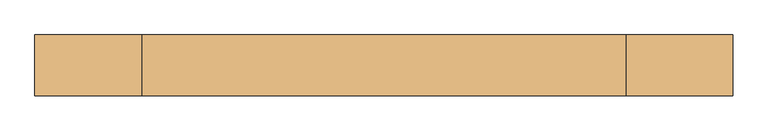
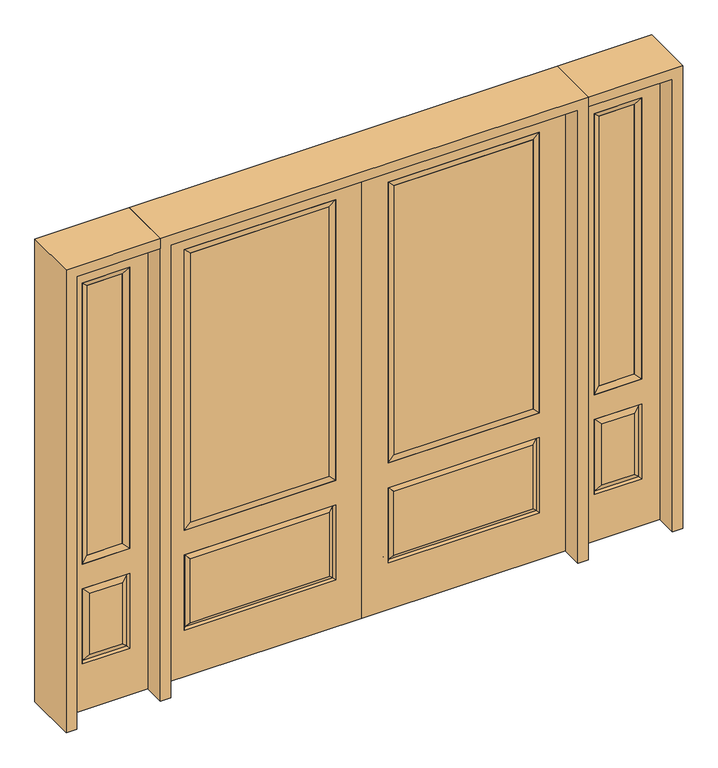
"""IFC4 building model written with IfcOpenShell, lengths in millimetres: door geometry."""

from ifc_helpers import new_model, si_unit, frame, origin, place, context, project, spatial, polyline, outline, extrude, faceted_brep, source, transform, mapped, element, save


def door_9efe27f4(model_context):
    return source(origin(), model_context, "Body", "SolidModel", [
        faceted_brep([(745.3661499, -12.7912373, 216.6588501), (727.86875, -22.225, 234.15625), (135.73125, -22.225, 234.15625), (118.2338501, -12.7912373, 216.6588501), (111.125, -22.225, 209.55), (752.475, -22.225, 209.55), (752.475, -22.225, 546.1), (745.3661499, -12.7912373, 538.9911499), (0.0, -22.225, 2032.0), (0.0, -22.225, 0.0), (863.6, -22.225, 0.0), (863.6, -22.225, 2032.0), (111.125, -22.225, 546.1), (111.125, -22.225, 1917.7), (752.475, -22.225, 1917.7), (752.475, -22.225, 657.098), (111.125, -22.225, 657.098), (727.86875, -22.225, 521.49375), (135.73125, -22.225, 521.49375), (118.2338501, -12.7912373, 538.9911499), (863.6, 22.225, 0.0), (863.6, 22.225, 2032.0), (0.0, 22.225, 0.0), (0.0, 22.225, 2032.0), (111.125, 22.225, 657.098), (111.125, 22.225, 1917.7), (752.475, 22.225, 657.098), (752.475, 22.225, 1917.7), (135.73125, 22.225, 234.15625), (135.73125, 22.225, 521.49375), (727.86875, 22.225, 521.49375), (727.86875, 22.225, 234.15625), (752.475, 22.225, 209.55), (752.475, 22.225, 546.1), (111.125, 22.225, 546.1), (111.125, 22.225, 209.55), (118.2338501, 12.7912373, 216.6588501), (745.3661499, 12.7912373, 216.6588501), (118.2338501, 12.7912373, 538.9911499), (745.3661499, 12.7912373, 538.9911499)], [[[0, 1, 2, 3]], [[3, 4, 5, 0]], [[5, 6, 7, 0]], [[8, 9, 10, 11], [4, 12, 6, 5], [13, 14, 15, 16]], [[1, 17, 18, 2]], [[3, 19, 12, 4]], [[2, 18, 19, 3]], [[0, 7, 17, 1]], [[6, 12, 19, 7]], [[7, 19, 18, 17]], [[10, 20, 21, 11]], [[9, 22, 20, 10]], [[8, 23, 22, 9]], [[16, 24, 25, 13]], [[15, 26, 24, 16]], [[14, 27, 26, 15]], [[28, 29, 30, 31]], [[23, 21, 20, 22], [25, 24, 26, 27], [32, 33, 34, 35]], [[32, 35, 36, 37]], [[35, 34, 38, 36]], [[39, 38, 34, 33]], [[37, 39, 33, 32]], [[36, 28, 31, 37]], [[31, 30, 39, 37]], [[30, 29, 38, 39]], [[36, 38, 29, 28]], [[11, 21, 23, 8]], [[13, 25, 27, 14]]]),
        faceted_brep([(752.475, -22.225, 1917.7), (752.475, -22.225, 657.098), (752.475, 22.225, 657.098), (752.475, 22.225, 1917.7), (111.125, -22.225, 657.098), (111.125, 22.225, 657.098), (136.525, 5.08, 682.498), (727.075, 5.08, 682.498), (111.125, -22.225, 1917.7), (111.125, 22.225, 1917.7), (727.075, -20.32, 682.498), (136.525, -20.32, 682.498), (727.075, -20.32, 1892.3), (136.525, -20.32, 1892.3), (727.075, 5.08, 1892.3), (136.525, 5.08, 1892.3)], [[[0, 1, 2, 3]], [[1, 4, 5, 2]], [[2, 5, 6, 7]], [[4, 8, 9, 5]], [[10, 11, 4, 1]], [[12, 10, 1, 0]], [[11, 13, 8, 4]], [[7, 6, 11, 10]], [[14, 7, 10, 12]], [[6, 15, 13, 11]], [[3, 2, 7, 14]], [[5, 9, 15, 6]], [[8, 0, 3, 9]], [[13, 12, 0, 8]], [[15, 14, 12, 13]], [[9, 3, 14, 15]]]),
        extrude(outline(polyline([(136.525, -20.32), (136.525, 5.08), (727.075, 5.08), (727.075, -20.32), (136.525, -20.32)])), frame((0.0, 0.0, 682.498), z_axis=(0.0, 0.0, 1.0), x_axis=(1.0, 0.0, 0.0)), (0.0, 0.0, 1.0), 1209.802),
        faceted_brep([(908.05, -22.225, 0.0), (1263.65, -22.225, 0.0), (1263.65, -22.225, 2032.0), (908.05, -22.225, 2032.0), (1186.18, -22.225, 1919.224), (1186.18, -22.225, 657.098), (985.52, -22.225, 657.098), (985.52, -22.225, 1919.224), (1186.18, -22.225, 209.55), (985.52, -22.225, 209.55), (985.52, -22.225, 546.1), (1186.18, -22.225, 546.1), (1017.2351001, -22.225, 241.2651001), (1154.4648999, -22.225, 241.2651001), (1154.4648999, -22.225, 514.3848999), (1017.2351001, -22.225, 514.3848999), (908.05, 22.225, 0.0), (908.05, 22.225, 2032.0), (1263.65, 22.225, 2032.0), (1263.65, 22.225, 0.0), (1186.18, 22.225, 1919.224), (985.52, 22.225, 1919.224), (985.52, 22.225, 657.098), (1186.18, 22.225, 657.098), (985.52, 22.225, 209.55), (1186.18, 22.225, 209.55), (1186.18, 22.225, 546.1), (985.52, 22.225, 546.1), (1154.4648999, 22.225, 241.2651001), (1017.2351001, 22.225, 241.2651001), (1017.2351001, 22.225, 514.3848999), (1154.4648999, 22.225, 514.3848999), (1179.0711499, 12.7912373, 216.6588501), (992.6288501, 12.7912373, 216.6588501), (992.6288501, 12.7912373, 538.9911499), (1179.0711499, 12.7912373, 538.9911499), (992.6288501, -12.7912373, 216.6588501), (1179.0711499, -12.7912373, 216.6588501), (992.6288501, -12.7912373, 538.9911499), (1179.0711499, -12.7912373, 538.9911499)], [[[0, 1, 2, 3], [4, 5, 6, 7], [8, 9, 10, 11]], [[12, 13, 14, 15]], [[16, 17, 18, 19], [20, 21, 22, 23], [24, 25, 26, 27]], [[28, 29, 30, 31]], [[1, 0, 16, 19]], [[2, 1, 19, 18]], [[3, 2, 18, 17]], [[0, 3, 17, 16]], [[5, 4, 20, 23]], [[6, 5, 23, 22]], [[7, 6, 22, 21]], [[4, 7, 21, 20]], [[32, 33, 29, 28]], [[33, 32, 25, 24]], [[29, 33, 34, 30]], [[33, 24, 27, 34]], [[30, 34, 35, 31]], [[34, 27, 26, 35]], [[32, 28, 31, 35]], [[25, 32, 35, 26]], [[12, 36, 37, 13]], [[37, 36, 9, 8]], [[36, 12, 15, 38]], [[9, 36, 38, 10]], [[38, 15, 14, 39]], [[10, 38, 39, 11]], [[13, 37, 39, 14]], [[37, 8, 11, 39]]]),
        faceted_brep([(985.52, 22.225, 1919.224), (985.52, -22.225, 1919.224), (1186.18, -22.225, 1919.224), (1186.18, 22.225, 1919.224), (1010.92, 12.7, 1893.824), (1160.78, 12.7, 1893.824), (1010.92, -12.7, 1893.824), (1160.78, -12.7, 1893.824), (1186.18, -22.225, 657.098), (1186.18, 22.225, 657.098), (1160.78, 12.7, 682.498), (1160.78, -12.7, 682.498), (985.52, -22.225, 657.098), (985.52, 22.225, 657.098), (1010.92, 12.7, 682.498), (1010.92, -12.7, 682.498)], [[[0, 1, 2, 3]], [[4, 0, 3, 5]], [[6, 4, 5, 7]], [[1, 6, 7, 2]], [[3, 2, 8, 9]], [[5, 3, 9, 10]], [[7, 5, 10, 11]], [[2, 7, 11, 8]], [[9, 8, 12, 13]], [[10, 9, 13, 14]], [[11, 10, 14, 15]], [[8, 11, 15, 12]], [[13, 12, 1, 0]], [[14, 13, 0, 4]], [[15, 14, 4, 6]], [[12, 15, 6, 1]]]),
        extrude(outline(polyline([(1160.78, -12.7), (1010.92, -12.7), (1010.92, 12.7), (1160.78, 12.7), (1160.78, -12.7)])), frame((0.0, 0.0, 682.498), z_axis=(0.0, 0.0, 1.0), x_axis=(1.0, 0.0, 0.0)), (0.0, 0.0, 1.0), 1211.326),
        faceted_brep([(-1263.65, -22.225, 0.0), (-908.05, -22.225, 0.0), (-908.05, -22.225, 2032.0), (-1263.65, -22.225, 2032.0), (-985.52, -22.225, 1919.224), (-985.52, -22.225, 657.098), (-1186.18, -22.225, 657.098), (-1186.18, -22.225, 1919.224), (-985.52, -22.225, 209.55), (-1186.18, -22.225, 209.55), (-1186.18, -22.225, 546.1), (-985.52, -22.225, 546.1), (-1154.4648999, -22.225, 241.2651001), (-1017.2351001, -22.225, 241.2651001), (-1017.2351001, -22.225, 514.3848999), (-1154.4648999, -22.225, 514.3848999), (-1263.65, 22.225, 0.0), (-1263.65, 22.225, 2032.0), (-908.05, 22.225, 2032.0), (-908.05, 22.225, 0.0), (-985.52, 22.225, 1919.224), (-1186.18, 22.225, 1919.224), (-1186.18, 22.225, 657.098), (-985.52, 22.225, 657.098), (-1186.18, 22.225, 209.55), (-985.52, 22.225, 209.55), (-985.52, 22.225, 546.1), (-1186.18, 22.225, 546.1), (-1017.2351001, 22.225, 241.2651001), (-1154.4648999, 22.225, 241.2651001), (-1154.4648999, 22.225, 514.3848999), (-1017.2351001, 22.225, 514.3848999), (-992.6288501, 12.7912373, 216.6588501), (-1179.0711499, 12.7912373, 216.6588501), (-1179.0711499, 12.7912373, 538.9911499), (-992.6288501, 12.7912373, 538.9911499), (-1179.0711499, -12.7912373, 216.6588501), (-992.6288501, -12.7912373, 216.6588501), (-1179.0711499, -12.7912373, 538.9911499), (-992.6288501, -12.7912373, 538.9911499)], [[[0, 1, 2, 3], [4, 5, 6, 7], [8, 9, 10, 11]], [[12, 13, 14, 15]], [[16, 17, 18, 19], [20, 21, 22, 23], [24, 25, 26, 27]], [[28, 29, 30, 31]], [[1, 0, 16, 19]], [[2, 1, 19, 18]], [[3, 2, 18, 17]], [[0, 3, 17, 16]], [[5, 4, 20, 23]], [[6, 5, 23, 22]], [[7, 6, 22, 21]], [[4, 7, 21, 20]], [[32, 33, 29, 28]], [[33, 32, 25, 24]], [[29, 33, 34, 30]], [[33, 24, 27, 34]], [[30, 34, 35, 31]], [[34, 27, 26, 35]], [[32, 28, 31, 35]], [[25, 32, 35, 26]], [[12, 36, 37, 13]], [[37, 36, 9, 8]], [[36, 12, 15, 38]], [[9, 36, 38, 10]], [[38, 15, 14, 39]], [[10, 38, 39, 11]], [[13, 37, 39, 14]], [[37, 8, 11, 39]]]),
        faceted_brep([(-1186.18, 22.225, 1919.224), (-1186.18, -22.225, 1919.224), (-985.52, -22.225, 1919.224), (-985.52, 22.225, 1919.224), (-1160.78, 12.7, 1893.824), (-1010.92, 12.7, 1893.824), (-1160.78, -12.7, 1893.824), (-1010.92, -12.7, 1893.824), (-985.52, -22.225, 657.098), (-985.52, 22.225, 657.098), (-1010.92, 12.7, 682.498), (-1010.92, -12.7, 682.498), (-1186.18, -22.225, 657.098), (-1186.18, 22.225, 657.098), (-1160.78, 12.7, 682.498), (-1160.78, -12.7, 682.498)], [[[0, 1, 2, 3]], [[4, 0, 3, 5]], [[6, 4, 5, 7]], [[1, 6, 7, 2]], [[3, 2, 8, 9]], [[5, 3, 9, 10]], [[7, 5, 10, 11]], [[2, 7, 11, 8]], [[9, 8, 12, 13]], [[10, 9, 13, 14]], [[11, 10, 14, 15]], [[8, 11, 15, 12]], [[13, 12, 1, 0]], [[14, 13, 0, 4]], [[15, 14, 4, 6]], [[12, 15, 6, 1]]]),
        extrude(outline(polyline([(-1010.92, -12.7), (-1160.78, -12.7), (-1160.78, 12.7), (-1010.92, 12.7), (-1010.92, -12.7)])), frame((0.0, 0.0, 682.498), z_axis=(0.0, 0.0, 1.0), x_axis=(1.0, 0.0, 0.0)), (0.0, 0.0, 1.0), 1211.326),
        faceted_brep([(-745.3661499, -12.7912373, 216.6588501), (-118.2338501, -12.7912373, 216.6588501), (-135.73125, -22.225, 234.15625), (-727.86875, -22.225, 234.15625), (-752.475, -22.225, 209.55), (-111.125, -22.225, 209.55), (-745.3661499, -12.7912373, 538.9911499), (-752.475, -22.225, 546.1), (-135.73125, -22.225, 521.49375), (-727.86875, -22.225, 521.49375), (0.0, -22.225, 2032.0), (-863.6, -22.225, 2032.0), (-863.6, -22.225, 0.0), (0.0, -22.225, 0.0), (-111.125, -22.225, 546.1), (-111.125, -22.225, 1917.7), (-111.125, -22.225, 657.098), (-752.475, -22.225, 657.098), (-752.475, -22.225, 1917.7), (-118.2338501, -12.7912373, 538.9911499), (-863.6, 22.225, 2032.0), (-863.6, 22.225, 0.0), (0.0, 22.225, 0.0), (0.0, 22.225, 2032.0), (-111.125, 22.225, 1917.7), (-111.125, 22.225, 657.098), (-752.475, 22.225, 657.098), (-752.475, 22.225, 1917.7), (-752.475, 22.225, 209.55), (-111.125, 22.225, 209.55), (-111.125, 22.225, 546.1), (-752.475, 22.225, 546.1), (-135.73125, 22.225, 234.15625), (-727.86875, 22.225, 234.15625), (-727.86875, 22.225, 521.49375), (-135.73125, 22.225, 521.49375), (-745.3661499, 12.7912373, 216.6588501), (-118.2338501, 12.7912373, 216.6588501), (-118.2338501, 12.7912373, 538.9911499), (-745.3661499, 12.7912373, 538.9911499)], [[[0, 1, 2, 3]], [[1, 0, 4, 5]], [[4, 0, 6, 7]], [[3, 2, 8, 9]], [[10, 11, 12, 13], [5, 4, 7, 14], [15, 16, 17, 18]], [[1, 5, 14, 19]], [[2, 1, 19, 8]], [[0, 3, 9, 6]], [[7, 6, 19, 14]], [[6, 9, 8, 19]], [[12, 11, 20, 21]], [[13, 12, 21, 22]], [[10, 13, 22, 23]], [[16, 15, 24, 25]], [[17, 16, 25, 26]], [[18, 17, 26, 27]], [[23, 22, 21, 20], [28, 29, 30, 31], [24, 27, 26, 25]], [[32, 33, 34, 35]], [[28, 36, 37, 29]], [[29, 37, 38, 30]], [[39, 31, 30, 38]], [[36, 28, 31, 39]], [[37, 36, 33, 32]], [[33, 36, 39, 34]], [[34, 39, 38, 35]], [[37, 32, 35, 38]], [[11, 10, 23, 20]], [[15, 18, 27, 24]]]),
        faceted_brep([(-752.475, -22.225, 1917.7), (-752.475, 22.225, 1917.7), (-752.475, 22.225, 657.098), (-752.475, -22.225, 657.098), (-111.125, 22.225, 657.098), (-111.125, -22.225, 657.098), (-727.075, 5.08, 682.498), (-136.525, 5.08, 682.498), (-111.125, 22.225, 1917.7), (-111.125, -22.225, 1917.7), (-727.075, -20.32, 682.498), (-136.525, -20.32, 682.498), (-727.075, -20.32, 1892.3), (-136.525, -20.32, 1892.3), (-727.075, 5.08, 1892.3), (-136.525, 5.08, 1892.3)], [[[0, 1, 2, 3]], [[3, 2, 4, 5]], [[2, 6, 7, 4]], [[5, 4, 8, 9]], [[10, 3, 5, 11]], [[12, 0, 3, 10]], [[11, 5, 9, 13]], [[6, 10, 11, 7]], [[14, 12, 10, 6]], [[7, 11, 13, 15]], [[1, 14, 6, 2]], [[4, 7, 15, 8]], [[9, 8, 1, 0]], [[13, 9, 0, 12]], [[15, 13, 12, 14]], [[8, 15, 14, 1]]]),
        extrude(outline(polyline([(-136.525, -20.32), (-727.075, -20.32), (-727.075, 5.08), (-136.525, 5.08), (-136.525, -20.32)])), frame((0.0, 0.0, 682.498), z_axis=(0.0, 0.0, 1.0), x_axis=(1.0, 0.0, 0.0)), (0.0, 0.0, 1.0), 1209.802),
        extrude(outline(polyline([(2032.0, -908.05), (2076.45, -908.05), (2076.45, -1308.1), (0.0, -1308.1), (0.0, -1263.65), (2032.0, -1263.65), (2032.0, -908.05)])), frame((0.0, -114.3, 0.0), z_axis=(0.0, 1.0, 0.0), x_axis=(0.0, 0.0, 1.0)), (0.0, 0.0, 1.0), 228.6),
        extrude(outline(polyline([(2076.45, -908.05), (0.0, -908.05), (0.0, -863.6), (2032.0, -863.6), (2032.0, 863.6), (0.0, 863.6), (0.0, 908.05), (2076.45, 908.05), (2076.45, -908.05)])), frame((0.0, -114.3, 0.0), z_axis=(0.0, 1.0, 0.0), x_axis=(0.0, 0.0, 1.0)), (0.0, 0.0, 1.0), 228.6),
        extrude(outline(polyline([(0.0, 1263.65), (0.0, 1308.1), (2076.45, 1308.1), (2076.45, 908.05), (2032.0, 908.05), (2032.0, 1263.65), (0.0, 1263.65)])), frame((0.0, -114.3, 0.0), z_axis=(0.0, 1.0, 0.0), x_axis=(0.0, 0.0, 1.0)), (0.0, 0.0, 1.0), 228.6),
    ])


if __name__ == "__main__":
    model = new_model("IFC4")
    model_context = context("Model", 3, world=origin())
    ifc_project = project(units=[si_unit("LENGTHUNIT", "METRE", prefix="MILLI")], contexts=[model_context])
    site = spatial("IfcSite", under=ifc_project)
    building = spatial("IfcBuilding", under=site)
    placement = place(None, origin())
    door_shape = door_9efe27f4(model_context)
    element("IfcDoor", 1, at=placement, inside=building, context=model_context, shape_type="MappedRepresentation", body=[
        mapped(door_shape, transform((0.0, 0.0, 0.0), x_axis=(1.0, 0.0, 0.0), y_axis=(0.0, 1.0, 0.0), z_axis=(0.0, 0.0, 1.0))),
    ])
    save(model, "model.ifc")
